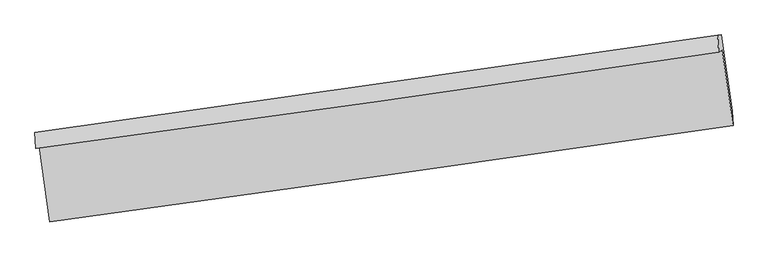
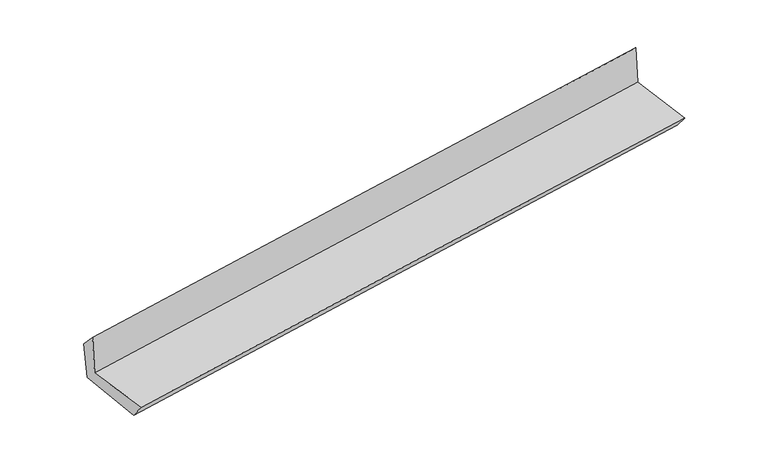
"""IFC4 building model written with IfcOpenShell, lengths in millimetres: proxy geometry."""

from ifc_helpers import new_model, si_unit, frame, origin, place, context, project, spatial, source, transform, mapped, element, save
from ifc_brep_helpers import plane_surface, spline_curve, spline_surface, advanced_brep


def generic_models_e878685d(model_context):
    return source(origin(), model_context, "Body", "AdvancedBrep", [
        advanced_brep(
        [(-3011.1253829, -1911.4575322, 1650.9458232), (-2919.5118584, -2571.8196348, 1654.4096997), (3056.8543743, -1729.3624914, 2138.6703115), (2961.369588, -1068.1820955, 2157.3577358), (-3042.1562554, -1931.2325875, 2052.5543463), (2931.1522808, -1087.4386897, 2548.4369135), (-3049.302911, -1789.1054194, 1902.3667392), (2921.3879032, -935.6518885, 2408.4594207), (-3017.8120726, -1791.8483121, 1532.5456303), (2953.1374458, -934.8018937, 2030.2229635), (-2923.7717021, -2442.073868, 1490.3887785), (3051.210331, -1601.8302453, 1990.6776487)],
        [
            (0, 1),
            (1, 2, spline_curve(3, [(-2919.5118584, -2571.8196348, 1654.4096997), (-1923.690572103, -2436.89688997, 1746.379071045), (-927.777268585, -2299.23483542, 1832.71686586), (1064.344788559, -2018.416400486, 1994.138329566), (2060.553562672, -1875.259407469, 2069.220739058), (3056.8543743, -1729.3624914, 2138.6703115)], [4, 2, 4], [0.0, 9.930497024522483, 19.862104902552602])),
            (2, 3),
            (3, 0, spline_curve(3, [(2961.369588, -1068.1820955, 2157.3577358), (1966.40885054, -1214.571470014, 2076.782185282), (971.192717392, -1358.042877572, 1994.290949789), (-1019.638996784, -1639.134037081, 1825.486550352), (-2015.254520583, -1776.75444202, 1739.173814912), (-3011.1253829, -1911.4575322, 1650.9458232)], [4, 2, 4], [0.0, 9.93160787803012, 19.862104902552602])),
            (4, 0),
            (3, 5),
            (5, 4, spline_curve(3, [(2931.1522808, -1087.4386897, 2548.4369135), (1935.784753252, -1234.087299842, 2473.126133844), (940.297431325, -1377.731527415, 2394.14468007), (-1050.805440752, -1658.995488173, 2228.849669997), (-2046.420964476, -1796.615892944, 2142.536934463), (-3042.1562554, -1931.2325875, 2052.5543463)], [4, 2, 4], [0.0, 9.930037711097585, 19.858964744311205])),
            (6, 4),
            (5, 7),
            (7, 6, spline_curve(3, [(2921.3879032, -935.6518885, 2408.4594207), (1926.758496303, -1079.68090462, 2320.902806747), (931.85838223, -1222.820468036, 2234.947840589), (-1058.371949656, -1507.304779444, 2066.250638156), (-2053.702107133, -1648.649726238, 1983.50804406), (-3049.302911, -1789.1054194, 1902.3667392)], [4, 2, 4], [0.0, 9.929655448442075, 19.858200261756387])),
            (8, 6),
            (7, 9),
            (9, 8, spline_curve(3, [(2953.1374458, -934.8018937, 2030.2229635), (1957.974757695, -1078.24931904, 1947.932057021), (962.786456915, -1221.397544505, 1865.311154669), (-1027.530054921, -1507.079616786, 1699.418636616), (-2022.658260225, -1649.613531046, 1616.147094585), (-3017.8120726, -1791.8483121, 1532.5456303)], [4, 2, 4], [0.0, 9.929374015313623, 19.857637426977867])),
            (10, 8),
            (9, 11),
            (11, 10, spline_curve(3, [(3051.210331, -1601.8302453, 1990.6776487), (2055.247764008, -1742.445660894, 1909.10818381), (1059.323465669, -1882.777570647, 1826.630329337), (-932.337203499, -2162.858714894, 1659.867169641), (-1928.073582758, -2302.608012376, 1575.582066868), (-2923.7717021, -2442.073868, 1490.3887785)], [4, 2, 4], [0.0, 9.930926975905418, 19.86074317446232])),
            (1, 10),
            (11, 2),
        ],
        [
            spline_surface(3, 3, [[(-3011.1253829, -1911.4575322, 1650.9458232), (-2015.254520517, -1776.754441878, 1739.173814898), (-1019.638996742, -1639.13403708, 1825.486550381), (971.19271735, -1358.042877573, 1994.290949759), (1966.408850548, -1214.571470115, 2076.782185152), (2961.369588, -1068.1820955, 2157.3577358)], [(-2980.587541406, -2131.578233069, 1652.10044871), (-1984.733204337, -1996.801924605, 1741.575566974), (-989.018420659, -1859.167636513, 1827.896655528), (1002.243407736, -1578.167385198, 1994.240076418), (1997.790421237, -1434.800782502, 2074.261703091), (2993.197850116, -1288.575560773, 2151.128594364)], [(-2950.049699894, -2351.698933931, 1653.25507419), (-1954.21188814, -2216.849407324, 1743.97731902), (-958.397844596, -2079.201235986, 1830.306760609), (1033.294098101, -1798.291892863, 1994.189203011), (2029.171991877, -1655.03009497, 2071.74122104), (3025.026112184, -1508.969026127, 2144.899452936)], [(-2919.5118584, -2571.8196348, 1654.4096997), (-1923.69057196, -2436.896890051, 1746.379071096), (-927.777268512, -2299.234835418, 1832.716865756), (1064.344788487, -2018.416400488, 1994.13832967), (2060.553562566, -1875.259407357, 2069.220738979), (3056.8543743, -1729.3624914, 2138.6703115)]], [4, 4], [4, 2, 4], [0.0, 2.1873219299419464], [0.0, 9.930497024522483, 19.862104902552602]),
            spline_surface(3, 3, [[(-3042.1562554, -1931.2325875, 2052.5543463), (-2046.420964491, -1796.61589286, 2142.536934475), (-1050.805440817, -1658.995488062, 2228.849669959), (940.29743139, -1377.731527526, 2394.144680108), (1935.784753094, -1234.087299685, 2473.126133699), (2931.1522808, -1087.4386897, 2548.4369135)], [(-3031.812631215, -1924.640902415, 1918.684838589), (-2036.032149815, -1789.995409215, 2008.082561271), (-1040.41662614, -1652.375004417, 2094.395296755), (950.595860029, -1371.168644224, 2260.860103314), (1945.992785584, -1227.582023169, 2341.011484171), (2941.224716538, -1081.019824974, 2418.077187588)], [(-3021.469007085, -1918.049217285, 1784.815330911), (-2025.643335194, -1783.374925523, 1873.628188102), (-1030.027811419, -1645.754520726, 1959.940923585), (960.894288712, -1364.605760875, 2127.575526554), (1956.200818059, -1221.076746631, 2208.89683468), (2951.297152262, -1074.600960226, 2287.717461712)], [(-3011.1253829, -1911.4575322, 1650.9458232), (-2015.254520517, -1776.754441878, 1739.173814898), (-1019.638996742, -1639.13403708, 1825.486550381), (971.19271735, -1358.042877573, 1994.290949759), (1966.408850548, -1214.571470115, 2076.782185152), (2961.369588, -1068.1820955, 2157.3577358)]], [4, 4], [4, 2, 4], [0.0, 1.323131186856664], [0.0, 9.92892703321362, 19.858964744311205]),
            spline_surface(3, 3, [[(-3049.302911, -1789.1054194, 1902.3667392), (-2053.702107059, -1648.649726217, 1983.508044053), (-1058.371949699, -1507.304779412, 2066.250638262), (931.858382273, -1222.820468068, 2234.947840484), (1926.758496276, -1079.680904581, 2320.902806792), (2921.3879032, -935.6518885, 2408.4594207)], [(-3046.920692474, -1836.481142092, 1952.429274904), (-2051.275059544, -1697.971781757, 2036.517674198), (-1055.84978007, -1557.868348933, 2120.450315477), (934.671398648, -1274.457487858, 2288.013453675), (1929.767248534, -1131.149702964, 2371.643915768), (2924.642695718, -986.247488914, 2455.118584975)], [(-3044.538473926, -1883.856864808, 2002.491810596), (-2048.848012007, -1747.293837321, 2089.527304331), (-1053.327610447, -1608.431918541, 2174.649992744), (937.484415016, -1326.094507736, 2341.079066917), (1932.776000837, -1182.618501303, 2422.385024722), (2927.897488282, -1036.843089286, 2501.777749225)], [(-3042.1562554, -1931.2325875, 2052.5543463), (-2046.420964491, -1796.61589286, 2142.536934475), (-1050.805440817, -1658.995488062, 2228.849669959), (940.29743139, -1377.731527526, 2394.144680108), (1935.784753094, -1234.087299685, 2473.126133699), (2931.1522808, -1087.4386897, 2548.4369135)]], [4, 4], [4, 2, 4], [0.0, 0.7295967279245233], [0.0, 9.928544813314312, 19.858200261756387]),
            spline_surface(3, 3, [[(-3017.8120726, -1791.8483121, 1532.5456303), (-2022.658260305, -1649.613531123, 1616.147094461), (-1027.530054936, -1507.079616916, 1699.41863653), (962.786456929, -1221.397544375, 1865.311154755), (1957.974757688, -1078.249319119, 1947.932057069), (2953.1374458, -934.8018937, 2030.2229635)], [(-3028.309018747, -1790.934014528, 1655.819333281), (-2033.006209237, -1649.292262816, 1738.600744339), (-1037.810686516, -1507.154671092, 1821.695970451), (952.477098718, -1221.871852284, 1988.523383342), (1947.569337219, -1078.726514266, 2072.255640307), (2942.554264935, -935.085225293, 2156.301782564)], [(-3038.805964853, -1790.019716972, 1779.093036219), (-2043.354158127, -1648.970994525, 1861.054394175), (-1048.091318119, -1507.229725236, 1943.97330434), (942.167740485, -1222.34616016, 2111.735611897), (1937.163916745, -1079.203709434, 2196.579223553), (2931.971084065, -935.368556907, 2282.380601636)], [(-3049.302911, -1789.1054194, 1902.3667392), (-2053.702107059, -1648.649726217, 1983.508044053), (-1058.371949699, -1507.304779412, 2066.250638262), (931.858382273, -1222.820468068, 2234.947840484), (1926.758496276, -1079.680904581, 2320.902806792), (2921.3879032, -935.6518885, 2408.4594207)]], [4, 4], [4, 2, 4], [0.0, 1.2123633873967612], [0.0, 9.928263411664243, 19.857637426977867]),
            spline_surface(3, 3, [[(-2923.7717021, -2442.073868, 1490.3887785), (-1928.073582838, -2302.608012513, 1575.582067026), (-932.337203486, -2162.858714842, 1659.867169527), (1059.323465656, -1882.777570699, 1826.630329451), (2055.247763999, -1742.445660789, 1909.108183693), (3051.210331, -1601.8302453, 1990.6776487)], [(-2955.118492268, -2225.332016026, 1504.441062433), (-1959.601808662, -2084.943185375, 1589.103742837), (-964.068153979, -1944.265682194, 1673.05099186), (1027.144462737, -1662.317561918, 1839.523937885), (2022.823428561, -1521.046880216, 1922.049474831), (3018.519369266, -1379.487461417, 2003.859420313)], [(-2986.465282432, -2008.590164074, 1518.493346367), (-1991.130034481, -1867.27835826, 1602.62541865), (-995.799104443, -1725.672649564, 1686.234814197), (994.965459848, -1441.857553156, 1852.417546321), (1990.399093126, -1299.648099692, 1934.990765931), (2985.828407534, -1157.144677583, 2017.041191887)], [(-3017.8120726, -1791.8483121, 1532.5456303), (-2022.658260305, -1649.613531123, 1616.147094461), (-1027.530054936, -1507.079616916, 1699.41863653), (962.786456929, -1221.397544375, 1865.311154755), (1957.974757688, -1078.249319119, 1947.932057069), (2953.1374458, -934.8018937, 2030.2229635)]], [4, 4], [4, 2, 4], [0.0, 2.187234411993346], [0.0, 9.929816198556903, 19.86074317446232]),
            spline_surface(3, 3, [[(-2919.5118584, -2571.8196348, 1654.4096997), (-1923.69057196, -2436.896890051, 1746.379071096), (-927.777268512, -2299.234835418, 1832.716865756), (1064.344788487, -2018.416400488, 1994.13832967), (2060.553562566, -1875.259407357, 2069.220738979), (3056.8543743, -1729.3624914, 2138.6703115)], [(-2920.93180629, -2528.57104587, 1599.736059284), (-1925.151575576, -2392.133930875, 1689.44673639), (-929.297246828, -2253.776128582, 1775.100300343), (1062.671014218, -1973.203457248, 1938.302329594), (2058.784963036, -1830.988158531, 2015.849887214), (3054.973026526, -1686.851742729, 2089.339423897)], [(-2922.35175421, -2485.32245693, 1545.062418916), (-1926.612579223, -2347.370971689, 1632.514401732), (-930.81722517, -2208.317421678, 1717.483734939), (1060.997239925, -1927.990513939, 1882.466329527), (2057.016363528, -1786.716909616, 1962.479035458), (3053.091678774, -1644.340993971, 2040.008536303)], [(-2923.7717021, -2442.073868, 1490.3887785), (-1928.073582838, -2302.608012513, 1575.582067026), (-932.337203486, -2162.858714842, 1659.867169527), (1059.323465656, -1882.777570699, 1826.630329451), (2055.247763999, -1742.445660789, 1909.108183693), (3051.210331, -1601.8302453, 1990.6776487)]], [4, 4], [4, 2, 4], [0.0, 0.7149048083341205], [0.0, 9.931701336565446, 19.864513661356284]),
            plane_surface(frame((2979.1853205, -1226.2112173, 2212.3041656), z_axis=(0.9866360133481404, 0.1401359853573531, 0.08313412519785032), x_axis=(-0.08364660585986516, -0.0022393764583486745, 0.9964929656155141))),
            plane_surface(frame((-2993.9466971, -2072.9228923, 1713.8685029), z_axis=(-0.987033947942602, -0.13736896666533527, -0.08302862522130063), x_axis=(-0.13741430442079713, 0.9905000327105419, -0.005195588606124661))),
        ],
        [
            (0, [[1, 2, 3, 4]]),
            (1, [[5, -4, 6, 7]]),
            (2, [[8, -7, 9, 10]]),
            (3, [[11, -10, 12, 13]]),
            (4, [[14, -13, 15, 16]]),
            (5, [[17, -16, 18, -2]]),
            (6, [[-12, -9, -6, -3, -18, -15]]),
            (7, [[-1, -5, -8, -11, -14, -17]]),
        ],
    ),
    ])


if __name__ == "__main__":
    model = new_model("IFC4")
    model_context = context("Model", 3, world=origin())
    ifc_project = project(units=[si_unit("LENGTHUNIT", "METRE", prefix="MILLI")], contexts=[model_context])
    site = spatial("IfcSite", under=ifc_project)
    building = spatial("IfcBuilding", under=site)
    placement = place(None, origin())
    generic_models_shape = generic_models_e878685d(model_context)
    element("IfcBuildingElementProxy", 1, Name="Generic Models", at=placement, inside=building, context=model_context, shape_type="MappedRepresentation", body=[
        mapped(generic_models_shape, transform((0.0, 0.0, 0.0), x_axis=(1.0, 0.0, 0.0), y_axis=(0.0, 1.0, 0.0), z_axis=(0.0, 0.0, 1.0))),
    ])
    save(model, "model.ifc")
